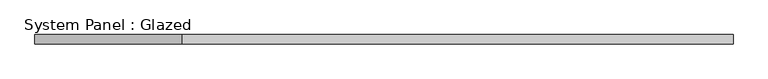
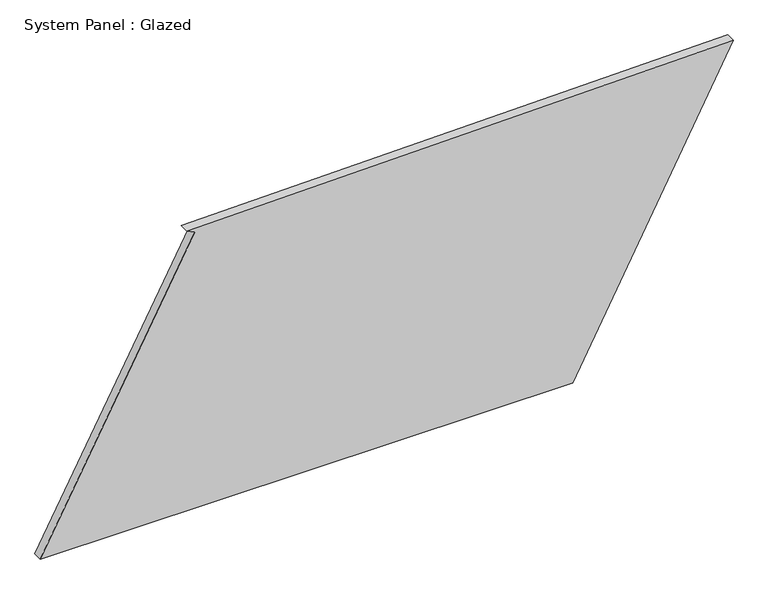
"""IFC4 building model written with IfcOpenShell, lengths in millimetres: plate geometry, System Panel : Glazed."""

from ifc_helpers import new_model, si_unit, frame, origin, place, context, project, spatial, polyline, outline, extrude, source, transform, mapped, element, save


def system_panel_glazed_b504ec8b(model_context):
    return source(origin(), model_context, "Body", "SweptSolid", [
        extrude(outline(polyline([(0.0, -951.1872606), (0.0, 511.1897337), (841.5030793, 951.1872606), (812.5267676, -549.3875289), (800.831173, -527.2919848), (0.0, -951.1872606)])), frame((0.0, -49.5, 0.0), z_axis=(0.0, 1.0, 0.0), x_axis=(0.0, 0.0, 1.0)), (0.0, 0.0, 1.0), 25.0),
    ])


if __name__ == "__main__":
    model = new_model("IFC4")
    model_context = context("Model", 3, world=origin())
    ifc_project = project(units=[si_unit("LENGTHUNIT", "METRE", prefix="MILLI")], contexts=[model_context])
    site = spatial("IfcSite", under=ifc_project)
    building = spatial("IfcBuilding", under=site)
    placement = place(None, origin())
    system_panel_glazed_shape = system_panel_glazed_b504ec8b(model_context)
    element("IfcPlate", 1, ObjectType="System Panel : Glazed", at=placement, inside=building, context=model_context, shape_type="MappedRepresentation", body=[
        mapped(system_panel_glazed_shape, transform((0.0, 0.0, 0.0), x_axis=(1.0, 0.0, 0.0), y_axis=(0.0, 1.0, 0.0), z_axis=(0.0, 0.0, 1.0))),
    ])
    save(model, "model.ifc")
